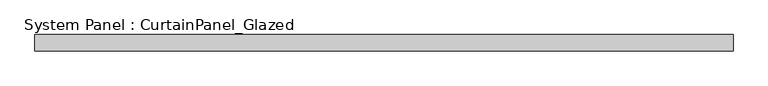
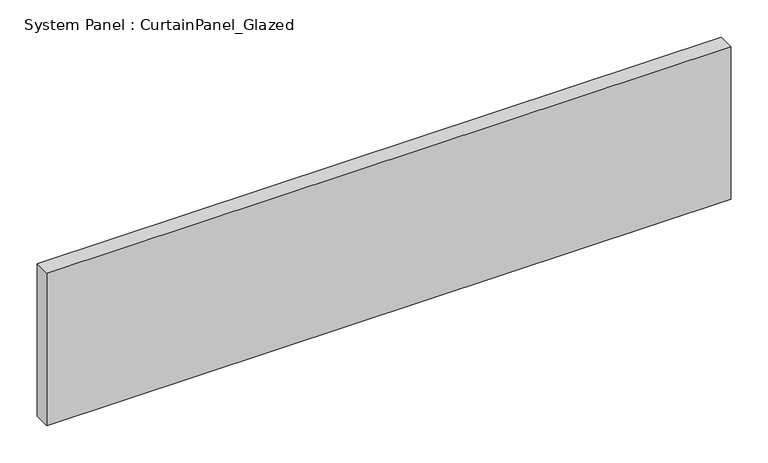
"""IFC4 building model written with IfcOpenShell, lengths in millimetres: plate geometry, System Panel : CurtainPanel_Glazed."""

from ifc_helpers import new_model, si_unit, origin, origin_with_axes, place, context, project, spatial, polyline, outline, extrude, source, transform, mapped, element, save


def system_panel_curtainpanel_glazed_044adbe2(model_context):
    return source(origin(), model_context, "Body", "SweptSolid", [
        extrude(outline(polyline([(530.0000001, -12.5), (-530.0000001, -12.5), (-530.0000001, 12.5), (530.0000001, 12.5), (530.0000001, -12.5)])), origin_with_axes(), (0.0, 0.0, 1.0), 250.0),
    ])


if __name__ == "__main__":
    model = new_model("IFC4")
    model_context = context("Model", 3, world=origin())
    ifc_project = project(units=[si_unit("LENGTHUNIT", "METRE", prefix="MILLI")], contexts=[model_context])
    site = spatial("IfcSite", under=ifc_project)
    building = spatial("IfcBuilding", under=site)
    placement = place(None, origin())
    system_panel_curtainpanel_glazed_shape = system_panel_curtainpanel_glazed_044adbe2(model_context)
    element("IfcPlate", 1, ObjectType="System Panel : CurtainPanel_Glazed", at=placement, inside=building, context=model_context, shape_type="MappedRepresentation", body=[
        mapped(system_panel_curtainpanel_glazed_shape, transform((0.0, 0.0, 0.0), x_axis=(1.0, 0.0, 0.0), y_axis=(0.0, 1.0, 0.0), z_axis=(0.0, 0.0, 1.0))),
    ])
    save(model, "model.ifc")
